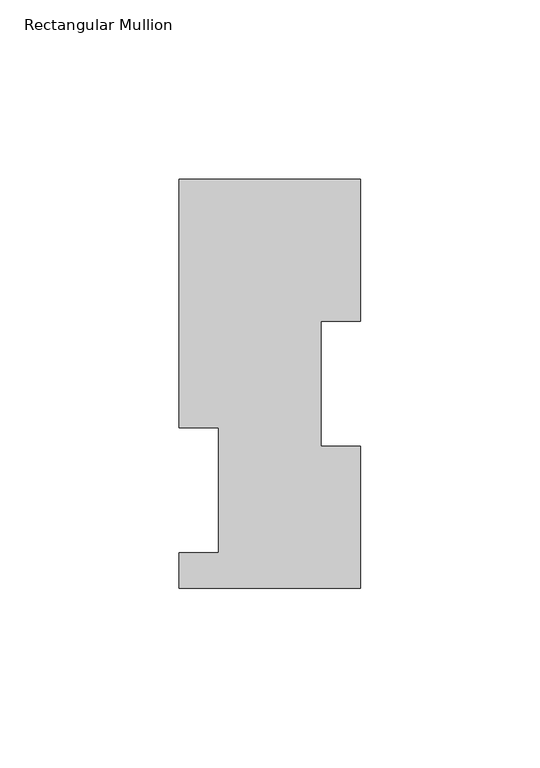
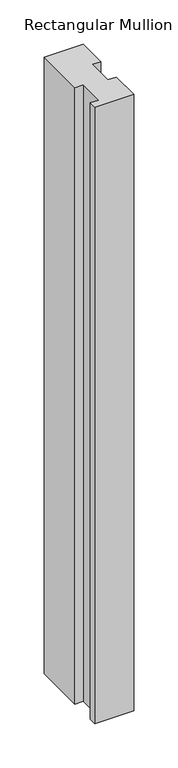
"""IFC4 building model written with IfcOpenShell, lengths in millimetres: member geometry, Rectangular Mullion."""

from ifc_helpers import new_model, si_unit, frame, origin, place, context, project, spatial, polyline, outline, extrude, source, transform, mapped, element, save


def rectangular_mullion_f62f967d(model_context):
    return source(origin(), model_context, "Body", "SweptSolid", [
        extrude(outline(polyline([(25.4, 114.0729875), (25.4, 74.3981875), (14.2875, 74.3981875), (14.2875, 39.4477875), (25.4, 39.4477875), (25.4, -0.2270125), (-25.4, -0.2270125), (-25.4, 9.6789875), (-14.2875, 9.6789875), (-14.2875, 44.6039875), (-25.4, 44.6039875), (-25.4, 114.0729875), (25.4, 114.0729875)])), frame((0.0, 0.0, -850.9), z_axis=(0.0, 0.0, 1.0), x_axis=(1.0, 0.0, 0.0)), (0.0, 0.0, 1.0), 850.9),
    ])


if __name__ == "__main__":
    model = new_model("IFC4")
    model_context = context("Model", 3, world=origin())
    ifc_project = project(units=[si_unit("LENGTHUNIT", "METRE", prefix="MILLI")], contexts=[model_context])
    site = spatial("IfcSite", under=ifc_project)
    building = spatial("IfcBuilding", under=site)
    placement = place(None, origin())
    rectangular_mullion_shape = rectangular_mullion_f62f967d(model_context)
    element("IfcMember", 1, ObjectType="Rectangular Mullion", at=placement, inside=building, context=model_context, shape_type="MappedRepresentation", body=[
        mapped(rectangular_mullion_shape, transform((0.0, 0.0, 0.0), x_axis=(1.0, 0.0, 0.0), y_axis=(0.0, 1.0, 0.0), z_axis=(0.0, 0.0, 1.0))),
    ])
    save(model, "model.ifc")
